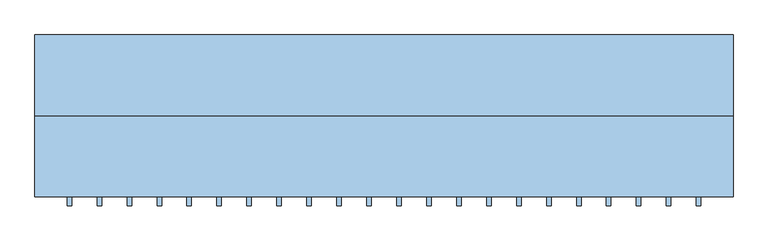
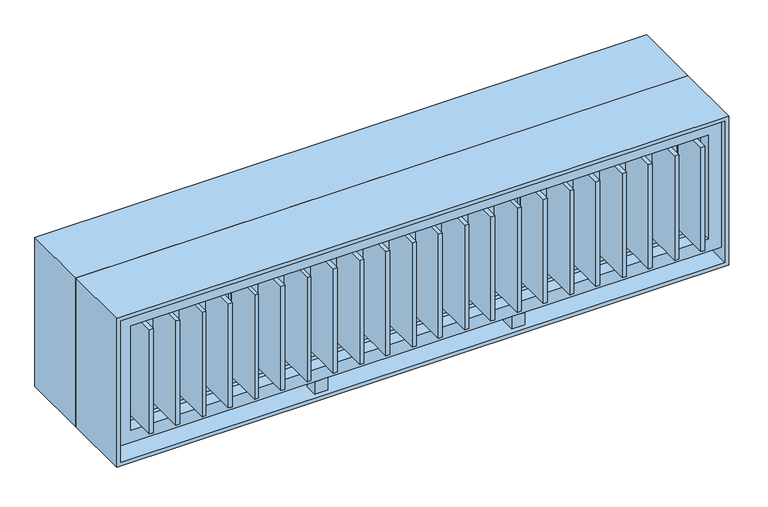
"""IFC4 building model written with IfcOpenShell, lengths in millimetres: window geometry."""

from ifc_helpers import new_model, si_unit, frame, origin, place, context, project, spatial, polyline, outline, extrude, source, transform, mapped, element, save


def window_8ecbce3b(model_context):
    return source(origin(), model_context, "Body", "SweptSolid", [
        extrude(outline(polyline([(1057.5, -424.65), (1042.5, -424.65), (1042.5, -275.35), (1057.5, -275.35), (1057.5, -424.65)])), frame((0.0, 0.0, 915.0), z_axis=(0.0, 0.0, 1.0), x_axis=(1.0, 0.0, 0.0)), (0.0, 0.0, 1.0), 420.0),
        extrude(outline(polyline([(957.5, -424.65), (942.5, -424.65), (942.5, -275.35), (957.5, -275.35), (957.5, -424.65)])), frame((0.0, 0.0, 915.0), z_axis=(0.0, 0.0, 1.0), x_axis=(1.0, 0.0, 0.0)), (0.0, 0.0, 1.0), 420.0),
        extrude(outline(polyline([(857.5, -424.65), (842.5, -424.65), (842.5, -275.35), (857.5, -275.35), (857.5, -424.65)])), frame((0.0, 0.0, 915.0), z_axis=(0.0, 0.0, 1.0), x_axis=(1.0, 0.0, 0.0)), (0.0, 0.0, 1.0), 420.0),
        extrude(outline(polyline([(757.5, -424.65), (742.5, -424.65), (742.5, -275.35), (757.5, -275.35), (757.5, -424.65)])), frame((0.0, 0.0, 915.0), z_axis=(0.0, 0.0, 1.0), x_axis=(1.0, 0.0, 0.0)), (0.0, 0.0, 1.0), 420.0),
        extrude(outline(polyline([(657.5, -424.65), (642.5, -424.65), (642.5, -275.35), (657.5, -275.35), (657.5, -424.65)])), frame((0.0, 0.0, 915.0), z_axis=(0.0, 0.0, 1.0), x_axis=(1.0, 0.0, 0.0)), (0.0, 0.0, 1.0), 420.0),
        extrude(outline(polyline([(557.5, -424.65), (542.5, -424.65), (542.5, -275.35), (557.5, -275.35), (557.5, -424.65)])), frame((0.0, 0.0, 915.0), z_axis=(0.0, 0.0, 1.0), x_axis=(1.0, 0.0, 0.0)), (0.0, 0.0, 1.0), 420.0),
        extrude(outline(polyline([(457.5, -424.65), (442.5, -424.65), (442.5, -275.35), (457.5, -275.35), (457.5, -424.65)])), frame((0.0, 0.0, 915.0), z_axis=(0.0, 0.0, 1.0), x_axis=(1.0, 0.0, 0.0)), (0.0, 0.0, 1.0), 420.0),
        extrude(outline(polyline([(357.5, -424.65), (342.5, -424.65), (342.5, -275.35), (357.5, -275.35), (357.5, -424.65)])), frame((0.0, 0.0, 915.0), z_axis=(0.0, 0.0, 1.0), x_axis=(1.0, 0.0, 0.0)), (0.0, 0.0, 1.0), 420.0),
        extrude(outline(polyline([(257.5, -424.65), (242.5, -424.65), (242.5, -275.35), (257.5, -275.35), (257.5, -424.65)])), frame((0.0, 0.0, 915.0), z_axis=(0.0, 0.0, 1.0), x_axis=(1.0, 0.0, 0.0)), (0.0, 0.0, 1.0), 420.0),
        extrude(outline(polyline([(157.5, -424.65), (142.5, -424.65), (142.5, -275.35), (157.5, -275.35), (157.5, -424.65)])), frame((0.0, 0.0, 915.0), z_axis=(0.0, 0.0, 1.0), x_axis=(1.0, 0.0, 0.0)), (0.0, 0.0, 1.0), 420.0),
        extrude(outline(polyline([(57.5, -424.65), (42.5, -424.65), (42.5, -275.35), (57.5, -275.35), (57.5, -424.65)])), frame((0.0, 0.0, 915.0), z_axis=(0.0, 0.0, 1.0), x_axis=(1.0, 0.0, 0.0)), (0.0, 0.0, 1.0), 420.0),
        extrude(outline(polyline([(-42.5, -424.65), (-57.5, -424.65), (-57.5, -275.35), (-42.5, -275.35), (-42.5, -424.65)])), frame((0.0, 0.0, 915.0), z_axis=(0.0, 0.0, 1.0), x_axis=(1.0, 0.0, 0.0)), (0.0, 0.0, 1.0), 420.0),
        extrude(outline(polyline([(-142.5, -424.65), (-157.5, -424.65), (-157.5, -275.35), (-142.5, -275.35), (-142.5, -424.65)])), frame((0.0, 0.0, 915.0), z_axis=(0.0, 0.0, 1.0), x_axis=(1.0, 0.0, 0.0)), (0.0, 0.0, 1.0), 420.0),
        extrude(outline(polyline([(-242.5, -424.65), (-257.5, -424.65), (-257.5, -275.35), (-242.5, -275.35), (-242.5, -424.65)])), frame((0.0, 0.0, 915.0), z_axis=(0.0, 0.0, 1.0), x_axis=(1.0, 0.0, 0.0)), (0.0, 0.0, 1.0), 420.0),
        extrude(outline(polyline([(-342.5, -424.65), (-357.5, -424.65), (-357.5, -275.35), (-342.5, -275.35), (-342.5, -424.65)])), frame((0.0, 0.0, 915.0), z_axis=(0.0, 0.0, 1.0), x_axis=(1.0, 0.0, 0.0)), (0.0, 0.0, 1.0), 420.0),
        extrude(outline(polyline([(-442.5, -424.65), (-457.5, -424.65), (-457.5, -275.35), (-442.5, -275.35), (-442.5, -424.65)])), frame((0.0, 0.0, 915.0), z_axis=(0.0, 0.0, 1.0), x_axis=(1.0, 0.0, 0.0)), (0.0, 0.0, 1.0), 420.0),
        extrude(outline(polyline([(-542.5, -424.65), (-557.5, -424.65), (-557.5, -275.35), (-542.5, -275.35), (-542.5, -424.65)])), frame((0.0, 0.0, 915.0), z_axis=(0.0, 0.0, 1.0), x_axis=(1.0, 0.0, 0.0)), (0.0, 0.0, 1.0), 420.0),
        extrude(outline(polyline([(-642.5, -424.65), (-657.5, -424.65), (-657.5, -275.35), (-642.5, -275.35), (-642.5, -424.65)])), frame((0.0, 0.0, 915.0), z_axis=(0.0, 0.0, 1.0), x_axis=(1.0, 0.0, 0.0)), (0.0, 0.0, 1.0), 420.0),
        extrude(outline(polyline([(-742.5, -424.65), (-757.5, -424.65), (-757.5, -275.35), (-742.5, -275.35), (-742.5, -424.65)])), frame((0.0, 0.0, 915.0), z_axis=(0.0, 0.0, 1.0), x_axis=(1.0, 0.0, 0.0)), (0.0, 0.0, 1.0), 420.0),
        extrude(outline(polyline([(-842.5, -424.65), (-857.5, -424.65), (-857.5, -275.35), (-842.5, -275.35), (-842.5, -424.65)])), frame((0.0, 0.0, 915.0), z_axis=(0.0, 0.0, 1.0), x_axis=(1.0, 0.0, 0.0)), (0.0, 0.0, 1.0), 420.0),
        extrude(outline(polyline([(-942.5, -424.65), (-957.5, -424.65), (-957.5, -275.35), (-942.5, -275.35), (-942.5, -424.65)])), frame((0.0, 0.0, 915.0), z_axis=(0.0, 0.0, 1.0), x_axis=(1.0, 0.0, 0.0)), (0.0, 0.0, 1.0), 420.0),
        extrude(outline(polyline([(-1042.5, -424.65), (-1057.5, -424.65), (-1057.5, -275.35), (-1042.5, -275.35), (-1042.5, -424.65)])), frame((0.0, 0.0, 915.0), z_axis=(0.0, 0.0, 1.0), x_axis=(1.0, 0.0, 0.0)), (0.0, 0.0, 1.0), 420.0),
        extrude(outline(polyline([(-350.0, -325.0), (-350.0, -375.0), (-400.0, -375.0), (-400.0, -325.0), (-350.0, -325.0)])), frame((0.0, 0.0, 815.0), z_axis=(0.0, 0.0, 1.0), x_axis=(1.0, 0.0, 0.0)), (0.0, 0.0, 1.0), 50.0),
        extrude(outline(polyline([(400.0, -325.0), (400.0, -375.0), (350.0, -375.0), (350.0, -325.0), (400.0, -325.0)])), frame((0.0, 0.0, 815.0), z_axis=(0.0, 0.0, 1.0), x_axis=(1.0, 0.0, 0.0)), (0.0, 0.0, 1.0), 50.0),
        extrude(outline(polyline([(1385.0, 1150.0), (1385.0, -1150.0), (865.0, -1150.0), (865.0, 1150.0), (1385.0, 1150.0)]), holes=[polyline([(1335.0, 1100.0), (915.0, 1100.0), (915.0, -1100.0), (1335.0, -1100.0), (1335.0, 1100.0)])]), frame((0.0, -375.0, 0.0), z_axis=(0.0, 1.0, 0.0), x_axis=(0.0, 0.0, 1.0)), (0.0, 0.0, 1.0), 50.0),
        extrude(outline(polyline([(1325.0, -550.0), (1325.0, -1090.0), (875.0, -1090.0), (875.0, -550.0), (1325.0, -550.0)]), holes=[polyline([(1265.0, -610.0), (935.0, -610.0), (935.0, -1030.0), (1265.0, -1030.0), (1265.0, -610.0)])]), frame((0.0, -185.0, 0.0), z_axis=(0.0, 1.0, 0.0), x_axis=(0.0, 0.0, 1.0)), (0.0, 0.0, 1.0), 60.0),
        extrude(outline(polyline([(1325.0, 1090.0), (1325.0, 550.0), (875.0, 550.0), (875.0, 1090.0), (1325.0, 1090.0)]), holes=[polyline([(1265.0, 1030.0), (935.0, 1030.0), (935.0, 610.0), (1265.0, 610.0), (1265.0, 1030.0)])]), frame((0.0, -185.0, 0.0), z_axis=(0.0, 1.0, 0.0), x_axis=(0.0, 0.0, 1.0)), (0.0, 0.0, 1.0), 60.0),
        extrude(outline(polyline([(1400.0, 1165.0), (1400.0, -1165.0), (800.0, -1165.0), (800.0, 1165.0), (1400.0, 1165.0)]), holes=[polyline([(815.0, 1150.0), (815.0, -1150.0), (1385.0, -1150.0), (1385.0, 1150.0), (815.0, 1150.0)])]), frame((0.0, -125.0, 0.0), z_axis=(0.0, 1.0, 0.0), x_axis=(0.0, 0.0, 1.0)), (0.0, 0.0, 1.0), 270.0),
        extrude(outline(polyline([(1400.0, -1165.0), (800.0, -1165.0), (800.0, 1165.0), (1400.0, 1165.0), (1400.0, -1165.0)]), holes=[polyline([(815.0, 1150.0), (815.0, -1150.0), (1385.0, -1150.0), (1385.0, 1150.0), (815.0, 1150.0)])]), frame((0.0, -395.0, 0.0), z_axis=(0.0, 1.0, 0.0), x_axis=(0.0, 0.0, 1.0)), (0.0, 0.0, 1.0), 270.0),
        extrude(outline(polyline([(1030.0, -140.0), (1030.0, -170.0), (610.0, -170.0), (610.0, -140.0), (1030.0, -140.0)])), frame((0.0, 0.0, 935.0), z_axis=(0.0, 0.0, 1.0), x_axis=(1.0, 0.0, 0.0)), (0.0, 0.0, 1.0), 330.0),
        extrude(outline(polyline([(490.0, -140.0), (490.0, -170.0), (-490.0, -170.0), (-490.0, -140.0), (490.0, -140.0)])), frame((0.0, 0.0, 875.0), z_axis=(0.0, 0.0, 1.0), x_axis=(1.0, 0.0, 0.0)), (0.0, 0.0, 1.0), 450.0),
        extrude(outline(polyline([(-610.0, -140.0), (-610.0, -170.0), (-1030.0, -170.0), (-1030.0, -140.0), (-610.0, -140.0)])), frame((0.0, 0.0, 935.0), z_axis=(0.0, 0.0, 1.0), x_axis=(1.0, 0.0, 0.0)), (0.0, 0.0, 1.0), 330.0),
        extrude(outline(polyline([(1385.0, -1150.0), (800.0, -1150.0), (800.0, 1150.0), (1385.0, 1150.0), (1385.0, -1150.0)]), holes=[polyline([(1325.0, 550.0), (1325.0, 1090.0), (875.0, 1090.0), (875.0, 550.0), (1325.0, 550.0)]), polyline([(1325.0, -490.0), (1325.0, 490.0), (875.0, 490.0), (875.0, -490.0), (1325.0, -490.0)]), polyline([(1325.0, -1090.0), (1325.0, -550.0), (875.0, -550.0), (875.0, -1090.0), (1325.0, -1090.0)])]), frame((0.0, -185.0, 0.0), z_axis=(0.0, 1.0, 0.0), x_axis=(0.0, 0.0, 1.0)), (0.0, 0.0, 1.0), 60.0),
    ])


if __name__ == "__main__":
    model = new_model("IFC4")
    model_context = context("Model", 3, world=origin())
    ifc_project = project(units=[si_unit("LENGTHUNIT", "METRE", prefix="MILLI")], contexts=[model_context])
    site = spatial("IfcSite", under=ifc_project)
    building = spatial("IfcBuilding", under=site)
    placement = place(None, origin())
    window_shape = window_8ecbce3b(model_context)
    element("IfcWindow", 1, at=placement, inside=building, context=model_context, shape_type="MappedRepresentation", body=[
        mapped(window_shape, transform((0.0, 0.0, 0.0), x_axis=(1.0, 0.0, 0.0), y_axis=(0.0, 1.0, 0.0), z_axis=(0.0, 0.0, 1.0))),
    ])
    save(model, "model.ifc")
